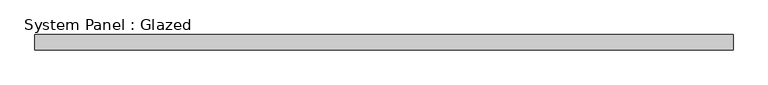
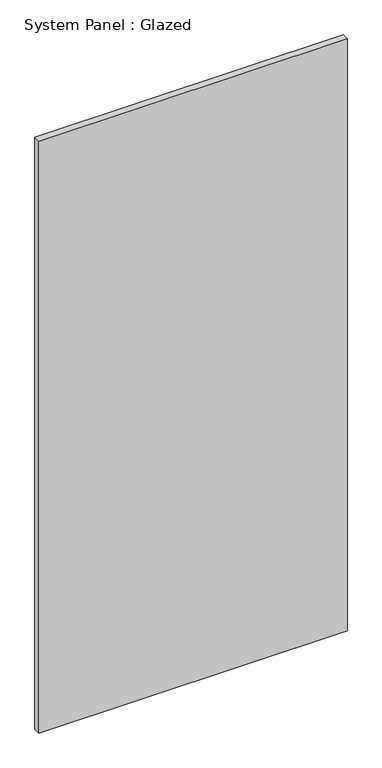
"""IFC4 building model written with IfcOpenShell, lengths in millimetres: plate geometry, System Panel : Glazed."""

import ifcopenshell
import ifcopenshell.guid

model = None  # the IFC model being written
_history = None  # IfcOwnerHistory: only IFC2X3 demands one
_inside = {}  # id of a spatial element -> (the spatial element, [elements in it])
_under = {}  # id of a project, library or spatial element -> (it, [spatial elements below it])
_declared = {}  # id of a project -> (the project, [libraries it declares])
_typed = {}  # id of a type object -> (the type object, [elements of that type])
_made_of = {}  # id of a material, layer set ... -> (it, [elements and type objects made of it])


def new_model(schema):
    """Start an empty IFC model of exactly this schema.

    Asked for "IFC4X3", IfcOpenShell would pick the latest addendum, in which some entities
    have other attributes; the version numbers below select the first issue.
    IFC2X3 requires an IfcOwnerHistory on every rooted entity: one is made here for all.
    """
    global model, _history
    if schema == "IFC4X3":
        model = ifcopenshell.file(schema_version=(4, 3, 0, 0))
    else:
        model = ifcopenshell.file(schema=schema)
    _inside.clear()
    _under.clear()
    _declared.clear()
    _typed.clear()
    _made_of.clear()
    _history = None
    if model.schema == "IFC2X3":
        org = make("IfcOrganization", Name="unknown")
        user = make(
            "IfcPersonAndOrganization",
            ThePerson=make("IfcPerson", FamilyName="unknown"),
            TheOrganization=org,
        )
        app = make(
            "IfcApplication",
            ApplicationDeveloper=org,
            Version="unknown",
            ApplicationFullName="unknown",
            ApplicationIdentifier="unknown",
        )
        _history = make(
            "IfcOwnerHistory",
            OwningUser=user,
            OwningApplication=app,
            ChangeAction="ADDED",
            CreationDate=0,
        )
    return model


def make(cls, **values):
    """One entity of the class cls with the attributes given. An attribute that is None is left unset."""
    return model.create_entity(
        cls, **{name: value for name, value in values.items() if value is not None}
    )


def rooted(cls, **values):
    """An entity with a GlobalId (a new one), such as an element, a storey or a relation."""
    return make(cls, GlobalId=ifcopenshell.guid.new(), OwnerHistory=_history, **values)


def si_unit(unit_type, name, prefix=None):
    """IfcSIUnit, for example si_unit("LENGTHUNIT", "METRE", prefix="MILLI")."""
    return make("IfcSIUnit", UnitType=unit_type, Prefix=prefix, Name=name)


def assignment(units):
    """IfcUnitAssignment: the units of a project."""
    return None if units is None else make("IfcUnitAssignment", Units=units)


def point(xyz):
    """IfcCartesianPoint."""
    return None if xyz is None else make("IfcCartesianPoint", Coordinates=xyz)


def direction(xyz):
    """IfcDirection."""
    return None if xyz is None else make("IfcDirection", DirectionRatios=xyz)


def frame(location, z_axis=None, x_axis=None):
    """IfcAxis2Placement3D, a coordinate frame: its origin and axes. An axis left out is left unset."""
    return make(
        "IfcAxis2Placement3D",
        Location=point(location),
        Axis=direction(z_axis),
        RefDirection=direction(x_axis),
    )


def origin():
    """The frame at (0, 0, 0) with its axes left unset."""
    return frame((0.0, 0.0, 0.0))


def origin_with_axes():
    """The frame at (0, 0, 0) with the z axis (0, 0, 1) and the x axis (1, 0, 0) written out."""
    return frame((0.0, 0.0, 0.0), z_axis=(0.0, 0.0, 1.0), x_axis=(1.0, 0.0, 0.0))


def place(relative_to, where):
    """IfcLocalPlacement: puts the frame where relative to a parent placement (None: the world)."""
    return make(
        "IfcLocalPlacement", PlacementRelTo=relative_to, RelativePlacement=where
    )


def context(
    kind, dimensions, precision=None, world=None, true_north=None, identifier=None
):
    """IfcGeometricRepresentationContext, for example the 3D "Model" context."""
    return make(
        "IfcGeometricRepresentationContext",
        ContextIdentifier=identifier,
        ContextType=kind,
        CoordinateSpaceDimension=dimensions,
        Precision=precision,
        WorldCoordinateSystem=world,
        TrueNorth=true_north,
    )


def project(units=None, contexts=None):
    """IfcProject with its units and contexts."""
    return rooted(
        "IfcProject",
        Name="project",
        RepresentationContexts=contexts,
        UnitsInContext=assignment(units),
    )


def spatial(cls, under=None, at=None, **own):
    """A site, building, storey or space (cls), placed at a placement, below another one or the project."""
    s = rooted(cls, ObjectPlacement=at, **own)
    if under is not None:
        _under.setdefault(under.id(), (under, []))[1].append(s)
    return s


def polyline(points):
    """IfcPolyline through the points."""
    return make("IfcPolyline", Points=[point(p) for p in points])


def outline(outer, holes=None, kind="AREA"):
    """IfcArbitraryClosedProfileDef: a profile drawn as a closed curve; with holes, ...WithVoids."""
    if holes is None:
        return make("IfcArbitraryClosedProfileDef", ProfileType=kind, OuterCurve=outer)
    return make(
        "IfcArbitraryProfileDefWithVoids",
        ProfileType=kind,
        OuterCurve=outer,
        InnerCurves=holes,
    )


def extrude(swept, where, along, depth):
    """IfcExtrudedAreaSolid: the profile swept, set in the frame where, extruded along a direction by depth."""
    return make(
        "IfcExtrudedAreaSolid",
        SweptArea=swept,
        Position=where,
        ExtrudedDirection=direction(along),
        Depth=depth,
    )


def shape(context_of_items, identifier, shape_type, items):
    """IfcShapeRepresentation: the items that make up one representation, for example the "Body"."""
    return make(
        "IfcShapeRepresentation",
        ContextOfItems=context_of_items,
        RepresentationIdentifier=identifier,
        RepresentationType=shape_type,
        Items=items,
    )


def source(mapping_origin, context_of_items, identifier, shape_type, items):
    """IfcRepresentationMap: a shape defined once, which mapped items show again and again."""
    return make(
        "IfcRepresentationMap",
        MappingOrigin=mapping_origin,
        MappedRepresentation=shape(context_of_items, identifier, shape_type, items),
    )


def transform(
    local_origin,
    x_axis=None,
    y_axis=None,
    z_axis=None,
    scale=None,
    scale2=None,
    scale3=None,
    uniform=True,
):
    """IfcCartesianTransformationOperator3D, or its non-uniform kind. x_axis, y_axis, z_axis: its Axis1, 2, 3."""
    if uniform:
        return make(
            "IfcCartesianTransformationOperator3D",
            Axis1=direction(x_axis),
            Axis2=direction(y_axis),
            LocalOrigin=point(local_origin),
            Scale=scale,
            Axis3=direction(z_axis),
        )
    return make(
        "IfcCartesianTransformationOperator3DnonUniform",
        Axis1=direction(x_axis),
        Axis2=direction(y_axis),
        LocalOrigin=point(local_origin),
        Scale=scale,
        Axis3=direction(z_axis),
        Scale2=scale2,
        Scale3=scale3,
    )


def mapped(mapping_source, mapping_target):
    """IfcMappedItem: shows the shape of a source again, moved by a transform."""
    return make(
        "IfcMappedItem", MappingSource=mapping_source, MappingTarget=mapping_target
    )


def made_of(thing, what):
    """Note that an element or type object is made of a material, layer set ...; save() writes the relation."""
    if what is not None:
        _made_of.setdefault(what.id(), (what, []))[1].append(thing)
    return thing


def element(
    cls,
    number,
    at=None,
    inside=None,
    cuts=None,
    type_object=None,
    material=None,
    context=None,
    identifier="Body",
    shape_type=None,
    held_by="IfcProductDefinitionShape",
    body=None,
    shapes=None,
    **own,
):
    """One element of the class cls, such as IfcWall. Its Tag is "e" and its number.

    at: its placement. inside: the storey or other place that contains it. cuts: it is an
    opening in that element (IfcRelVoidsElement). A single representation is given by context,
    identifier, shape_type and body (its items); several are given by shapes. held_by: the class
    of the entity that holds the representations. save() writes the other relations.
    """
    e = rooted(cls, Tag="e%d" % number, ObjectPlacement=at, **own)
    if body is not None:
        shapes = [shape(context, identifier, shape_type, body)]
    if shapes is not None:
        e.Representation = make(held_by, Representations=shapes)
    if inside is not None:
        _inside.setdefault(inside.id(), (inside, []))[1].append(e)
    if cuts is not None:
        rooted(
            "IfcRelVoidsElement", RelatingBuildingElement=cuts, RelatedOpeningElement=e
        )
    if type_object is not None:
        _typed.setdefault(type_object.id(), (type_object, []))[1].append(e)
    return made_of(e, material)


def aggregate(whole, parts):
    """IfcRelAggregates: a whole, such as a stair, and the parts it consists of."""
    return rooted("IfcRelAggregates", RelatingObject=whole, RelatedObjects=parts)


def save(model, path):
    """Write the relations noted so far, then the file.

    IfcRelAggregates (storeys below a building ...), IfcRelContainedInSpatialStructure (elements
    in a storey), IfcRelDefinesByType, IfcRelAssociatesMaterial and IfcRelDeclares: one each for
    every whole, place, type object, material and project.
    """
    for whole, parts in _under.values():
        aggregate(whole, parts)
    for where, things in _inside.values():
        rooted(
            "IfcRelContainedInSpatialStructure",
            RelatedElements=things,
            RelatingStructure=where,
        )
    for kind, things in _typed.values():
        rooted("IfcRelDefinesByType", RelatedObjects=things, RelatingType=kind)
    for what, things in _made_of.values():
        rooted("IfcRelAssociatesMaterial", RelatedObjects=things, RelatingMaterial=what)
    for by, libraries in _declared.values():
        rooted("IfcRelDeclares", RelatingContext=by, RelatedDefinitions=libraries)
    model.write(path)


def system_panel_glazed_20f0af69(model_context):
    return source(origin(), model_context, "Body", "SweptSolid", [
        extrude(outline(polyline([(577.85, -44.45), (-577.85, -44.45), (-577.85, -19.05), (577.85, -19.05), (577.85, -44.45)])), origin_with_axes(), (0.0, 0.0, 1.0), 2343.15),
    ])


if __name__ == "__main__":
    model = new_model("IFC4")
    model_context = context("Model", 3, world=origin())
    ifc_project = project(units=[si_unit("LENGTHUNIT", "METRE", prefix="MILLI")], contexts=[model_context])
    site = spatial("IfcSite", under=ifc_project)
    building = spatial("IfcBuilding", under=site)
    placement = place(None, origin())
    system_panel_glazed_shape = system_panel_glazed_20f0af69(model_context)
    element("IfcPlate", 1, ObjectType="System Panel : Glazed", at=placement, inside=building, context=model_context, shape_type="MappedRepresentation", body=[
        mapped(system_panel_glazed_shape, transform((0.0, 0.0, 0.0), x_axis=(1.0, 0.0, 0.0), y_axis=(0.0, 1.0, 0.0), z_axis=(0.0, 0.0, 1.0))),
    ])
    save(model, "model.ifc")
